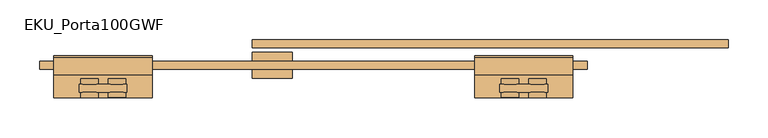
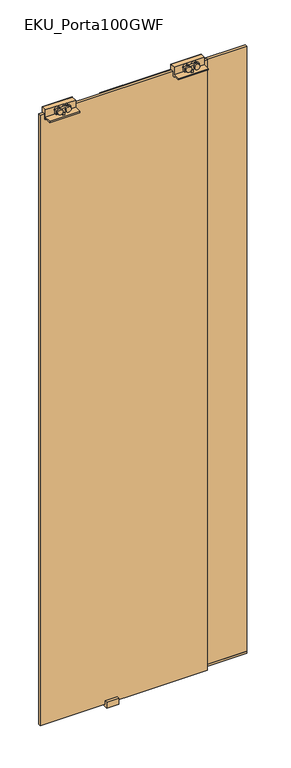
"""IFC4 building model written with IfcOpenShell, lengths in millimetres: door geometry, EKU_Porta100GWF."""

import ifcopenshell
import ifcopenshell.guid

model = None  # the IFC model being written
_history = None  # IfcOwnerHistory: only IFC2X3 demands one
_inside = {}  # id of a spatial element -> (the spatial element, [elements in it])
_under = {}  # id of a project, library or spatial element -> (it, [spatial elements below it])
_declared = {}  # id of a project -> (the project, [libraries it declares])
_typed = {}  # id of a type object -> (the type object, [elements of that type])
_made_of = {}  # id of a material, layer set ... -> (it, [elements and type objects made of it])


def new_model(schema):
    """Start an empty IFC model of exactly this schema.

    Asked for "IFC4X3", IfcOpenShell would pick the latest addendum, in which some entities
    have other attributes; the version numbers below select the first issue.
    IFC2X3 requires an IfcOwnerHistory on every rooted entity: one is made here for all.
    """
    global model, _history
    if schema == "IFC4X3":
        model = ifcopenshell.file(schema_version=(4, 3, 0, 0))
    else:
        model = ifcopenshell.file(schema=schema)
    _inside.clear()
    _under.clear()
    _declared.clear()
    _typed.clear()
    _made_of.clear()
    _history = None
    if model.schema == "IFC2X3":
        org = make("IfcOrganization", Name="unknown")
        user = make(
            "IfcPersonAndOrganization",
            ThePerson=make("IfcPerson", FamilyName="unknown"),
            TheOrganization=org,
        )
        app = make(
            "IfcApplication",
            ApplicationDeveloper=org,
            Version="unknown",
            ApplicationFullName="unknown",
            ApplicationIdentifier="unknown",
        )
        _history = make(
            "IfcOwnerHistory",
            OwningUser=user,
            OwningApplication=app,
            ChangeAction="ADDED",
            CreationDate=0,
        )
    return model


def make(cls, **values):
    """One entity of the class cls with the attributes given. An attribute that is None is left unset."""
    return model.create_entity(
        cls, **{name: value for name, value in values.items() if value is not None}
    )


def rooted(cls, **values):
    """An entity with a GlobalId (a new one), such as an element, a storey or a relation."""
    return make(cls, GlobalId=ifcopenshell.guid.new(), OwnerHistory=_history, **values)


def si_unit(unit_type, name, prefix=None):
    """IfcSIUnit, for example si_unit("LENGTHUNIT", "METRE", prefix="MILLI")."""
    return make("IfcSIUnit", UnitType=unit_type, Prefix=prefix, Name=name)


def assignment(units):
    """IfcUnitAssignment: the units of a project."""
    return None if units is None else make("IfcUnitAssignment", Units=units)


def point(xyz):
    """IfcCartesianPoint."""
    return None if xyz is None else make("IfcCartesianPoint", Coordinates=xyz)


def direction(xyz):
    """IfcDirection."""
    return None if xyz is None else make("IfcDirection", DirectionRatios=xyz)


def frame(location, z_axis=None, x_axis=None):
    """IfcAxis2Placement3D, a coordinate frame: its origin and axes. An axis left out is left unset."""
    return make(
        "IfcAxis2Placement3D",
        Location=point(location),
        Axis=direction(z_axis),
        RefDirection=direction(x_axis),
    )


def frame_2d(location, x_axis=None):
    """IfcAxis2Placement2D, a coordinate frame in the plane: its origin and x axis."""
    return make(
        "IfcAxis2Placement2D", Location=point(location), RefDirection=direction(x_axis)
    )


def origin():
    """The frame at (0, 0, 0) with its axes left unset."""
    return frame((0.0, 0.0, 0.0))


def place(relative_to, where):
    """IfcLocalPlacement: puts the frame where relative to a parent placement (None: the world)."""
    return make(
        "IfcLocalPlacement", PlacementRelTo=relative_to, RelativePlacement=where
    )


def context(
    kind, dimensions, precision=None, world=None, true_north=None, identifier=None
):
    """IfcGeometricRepresentationContext, for example the 3D "Model" context."""
    return make(
        "IfcGeometricRepresentationContext",
        ContextIdentifier=identifier,
        ContextType=kind,
        CoordinateSpaceDimension=dimensions,
        Precision=precision,
        WorldCoordinateSystem=world,
        TrueNorth=true_north,
    )


def project(units=None, contexts=None):
    """IfcProject with its units and contexts."""
    return rooted(
        "IfcProject",
        Name="project",
        RepresentationContexts=contexts,
        UnitsInContext=assignment(units),
    )


def spatial(cls, under=None, at=None, **own):
    """A site, building, storey or space (cls), placed at a placement, below another one or the project."""
    s = rooted(cls, ObjectPlacement=at, **own)
    if under is not None:
        _under.setdefault(under.id(), (under, []))[1].append(s)
    return s


def polyline(points):
    """IfcPolyline through the points."""
    return make("IfcPolyline", Points=[point(p) for p in points])


def circle_curve(where, radius):
    """IfcCircle in the frame where."""
    return make("IfcCircle", Position=where, Radius=radius)


def trimmed(basis, trim1, trim2, sense, master):
    """IfcTrimmedCurve: the piece of a basis curve between two trims."""
    return make(
        "IfcTrimmedCurve",
        BasisCurve=basis,
        Trim1=trim1,
        Trim2=trim2,
        SenseAgreement=sense,
        MasterRepresentation=master,
    )


def segment(curve, same_sense, transition):
    """IfcCompositeCurveSegment."""
    return make(
        "IfcCompositeCurveSegment",
        Transition=transition,
        SameSense=same_sense,
        ParentCurve=curve,
    )


def composite_curve(segments, self_intersect=None):
    """IfcCompositeCurve: segments joined end to end."""
    return make("IfcCompositeCurve", Segments=segments, SelfIntersect=self_intersect)


def outline(outer, holes=None, kind="AREA"):
    """IfcArbitraryClosedProfileDef: a profile drawn as a closed curve; with holes, ...WithVoids."""
    if holes is None:
        return make("IfcArbitraryClosedProfileDef", ProfileType=kind, OuterCurve=outer)
    return make(
        "IfcArbitraryProfileDefWithVoids",
        ProfileType=kind,
        OuterCurve=outer,
        InnerCurves=holes,
    )


def extrude(swept, where, along, depth):
    """IfcExtrudedAreaSolid: the profile swept, set in the frame where, extruded along a direction by depth."""
    return make(
        "IfcExtrudedAreaSolid",
        SweptArea=swept,
        Position=where,
        ExtrudedDirection=direction(along),
        Depth=depth,
    )


def shape(context_of_items, identifier, shape_type, items):
    """IfcShapeRepresentation: the items that make up one representation, for example the "Body"."""
    return make(
        "IfcShapeRepresentation",
        ContextOfItems=context_of_items,
        RepresentationIdentifier=identifier,
        RepresentationType=shape_type,
        Items=items,
    )


def source(mapping_origin, context_of_items, identifier, shape_type, items):
    """IfcRepresentationMap: a shape defined once, which mapped items show again and again."""
    return make(
        "IfcRepresentationMap",
        MappingOrigin=mapping_origin,
        MappedRepresentation=shape(context_of_items, identifier, shape_type, items),
    )


def transform(
    local_origin,
    x_axis=None,
    y_axis=None,
    z_axis=None,
    scale=None,
    scale2=None,
    scale3=None,
    uniform=True,
):
    """IfcCartesianTransformationOperator3D, or its non-uniform kind. x_axis, y_axis, z_axis: its Axis1, 2, 3."""
    if uniform:
        return make(
            "IfcCartesianTransformationOperator3D",
            Axis1=direction(x_axis),
            Axis2=direction(y_axis),
            LocalOrigin=point(local_origin),
            Scale=scale,
            Axis3=direction(z_axis),
        )
    return make(
        "IfcCartesianTransformationOperator3DnonUniform",
        Axis1=direction(x_axis),
        Axis2=direction(y_axis),
        LocalOrigin=point(local_origin),
        Scale=scale,
        Axis3=direction(z_axis),
        Scale2=scale2,
        Scale3=scale3,
    )


def mapped(mapping_source, mapping_target):
    """IfcMappedItem: shows the shape of a source again, moved by a transform."""
    return make(
        "IfcMappedItem", MappingSource=mapping_source, MappingTarget=mapping_target
    )


def made_of(thing, what):
    """Note that an element or type object is made of a material, layer set ...; save() writes the relation."""
    if what is not None:
        _made_of.setdefault(what.id(), (what, []))[1].append(thing)
    return thing


def element(
    cls,
    number,
    at=None,
    inside=None,
    cuts=None,
    type_object=None,
    material=None,
    context=None,
    identifier="Body",
    shape_type=None,
    held_by="IfcProductDefinitionShape",
    body=None,
    shapes=None,
    **own,
):
    """One element of the class cls, such as IfcWall. Its Tag is "e" and its number.

    at: its placement. inside: the storey or other place that contains it. cuts: it is an
    opening in that element (IfcRelVoidsElement). A single representation is given by context,
    identifier, shape_type and body (its items); several are given by shapes. held_by: the class
    of the entity that holds the representations. save() writes the other relations.
    """
    e = rooted(cls, Tag="e%d" % number, ObjectPlacement=at, **own)
    if body is not None:
        shapes = [shape(context, identifier, shape_type, body)]
    if shapes is not None:
        e.Representation = make(held_by, Representations=shapes)
    if inside is not None:
        _inside.setdefault(inside.id(), (inside, []))[1].append(e)
    if cuts is not None:
        rooted(
            "IfcRelVoidsElement", RelatingBuildingElement=cuts, RelatedOpeningElement=e
        )
    if type_object is not None:
        _typed.setdefault(type_object.id(), (type_object, []))[1].append(e)
    return made_of(e, material)


def aggregate(whole, parts):
    """IfcRelAggregates: a whole, such as a stair, and the parts it consists of."""
    return rooted("IfcRelAggregates", RelatingObject=whole, RelatedObjects=parts)


def save(model, path):
    """Write the relations noted so far, then the file.

    IfcRelAggregates (storeys below a building ...), IfcRelContainedInSpatialStructure (elements
    in a storey), IfcRelDefinesByType, IfcRelAssociatesMaterial and IfcRelDeclares: one each for
    every whole, place, type object, material and project.
    """
    for whole, parts in _under.values():
        aggregate(whole, parts)
    for where, things in _inside.values():
        rooted(
            "IfcRelContainedInSpatialStructure",
            RelatedElements=things,
            RelatingStructure=where,
        )
    for kind, things in _typed.values():
        rooted("IfcRelDefinesByType", RelatedObjects=things, RelatingType=kind)
    for what, things in _made_of.values():
        rooted("IfcRelAssociatesMaterial", RelatedObjects=things, RelatingMaterial=what)
    for by, libraries in _declared.values():
        rooted("IfcRelDeclares", RelatingContext=by, RelatedDefinitions=libraries)
    model.write(path)


def eku_porta100gwf_f6c7950f(model_context):
    return source(origin(), model_context, "Body", "SweptSolid", [
        extrude(outline(composite_curve([segment(trimmed(circle_curve(frame_2d((2683.9921875, -1182.4598407)), 11.0), [point((2683.9921875, -1171.4598407))], [point((2683.9921875, -1193.4598407))], False, "CARTESIAN"), True, "CONTINUOUS"), segment(trimmed(circle_curve(frame_2d((2683.9921875, -1182.4598407)), 11.0), [point((2683.9921875, -1193.4598407))], [point((2683.9921875, -1171.4598407))], False, "CARTESIAN"), True, "CONTINUOUS")], self_intersect=False)), frame((0.0, -47.8664, 0.0), z_axis=(0.0, 1.0, 0.0), x_axis=(0.0, 0.0, 1.0)), (0.0, 0.0, 1.0), 6.5829776),
        extrude(outline(composite_curve([segment(trimmed(circle_curve(frame_2d((2683.9993602, -1148.0848407)), 11.0), [point((2683.9993602, -1137.0848407))], [point((2683.9993602, -1159.0848407))], False, "CARTESIAN"), True, "CONTINUOUS"), segment(trimmed(circle_curve(frame_2d((2683.9993602, -1148.0848407)), 11.0), [point((2683.9993602, -1159.0848407))], [point((2683.9993602, -1137.0848407))], False, "CARTESIAN"), True, "CONTINUOUS")], self_intersect=False)), frame((0.0, -31.1869495, 0.0), z_axis=(0.0, 1.0, 0.0), x_axis=(0.0, 0.0, 1.0)), (0.0, 0.0, 1.0), 7.0269907),
        extrude(outline(composite_curve([segment(trimmed(circle_curve(frame_2d((2683.9921875, -1148.0848407)), 11.0), [point((2683.9921875, -1137.0848407))], [point((2683.9921875, -1159.0848407))], False, "CARTESIAN"), True, "CONTINUOUS"), segment(trimmed(circle_curve(frame_2d((2683.9921875, -1148.0848407)), 11.0), [point((2683.9921875, -1159.0848407))], [point((2683.9921875, -1137.0848407))], False, "CARTESIAN"), True, "CONTINUOUS")], self_intersect=False)), frame((0.0, -48.25, 0.0), z_axis=(0.0, 1.0, 0.0), x_axis=(0.0, 0.0, 1.0)), (0.0, 0.0, 1.0), 6.9665776),
        extrude(outline(polyline([(-1169.3035599, -31.1869495), (-1161.3035599, -31.1869495), (-1161.3035599, -41.2834224), (-1169.3035599, -41.2834224), (-1169.3035599, -31.1869495)])), frame((0.0, 0.0, 2661.0), z_axis=(0.0, 0.0, 1.0), x_axis=(1.0, 0.0, 0.0)), (0.0, 0.0, 1.0), 11.9515484),
        extrude(outline(polyline([(-1195.3035599, -41.2834224), (-1195.3035599, -31.1869495), (-1135.3035599, -31.1869495), (-1135.3035599, -41.2834224), (-1195.3035599, -41.2834224)])), frame((0.0, 0.0, 2672.9515484), z_axis=(0.0, 0.0, 1.0), x_axis=(1.0, 0.0, 0.0)), (0.0, 0.0, 1.0), 18.2705237),
        extrude(outline(composite_curve([segment(trimmed(circle_curve(frame_2d((2683.9921875, -1182.4598407)), 11.0), [point((2683.9921875, -1171.4598407))], [point((2683.9921875, -1193.4598407))], False, "CARTESIAN"), True, "CONTINUOUS"), segment(trimmed(circle_curve(frame_2d((2683.9921875, -1182.4598407)), 11.0), [point((2683.9921875, -1193.4598407))], [point((2683.9921875, -1171.4598407))], False, "CARTESIAN"), True, "CONTINUOUS")], self_intersect=False)), frame((0.0, -31.1869495, 0.0), z_axis=(0.0, 1.0, 0.0), x_axis=(0.0, 0.0, 1.0)), (0.0, 0.0, 1.0), 7.0269907),
        extrude(outline(composite_curve([segment(trimmed(circle_curve(frame_2d((2683.9921875, -1148.0848407)), 11.0), [point((2683.9921875, -1137.0848407))], [point((2683.9921875, -1159.0848407))], False, "CARTESIAN"), True, "CONTINUOUS"), segment(trimmed(circle_curve(frame_2d((2683.9921875, -1148.0848407)), 11.0), [point((2683.9921875, -1159.0848407))], [point((2683.9921875, -1137.0848407))], False, "CARTESIAN"), True, "CONTINUOUS")], self_intersect=False)), frame((0.0, -48.25, 0.0), z_axis=(0.0, 1.0, 0.0), x_axis=(0.0, 0.0, 1.0)), (0.0, 0.0, 1.0), 6.9665776),
        extrude(outline(polyline([(-19.25, 2692.0), (2.442747, 2692.0), (4.75, 2692.0), (4.75, 2678.0), (4.75, 2650.0), (-2.25, 2650.0), (-2.25, 2672.0), (-12.25, 2672.0), (-12.25, 2650.0), (-19.25, 2650.0), (-19.25, 2655.0), (-48.25, 2655.0), (-48.25, 2661.0), (-19.25, 2661.0), (-19.25, 2692.0)])), frame((-1227.3035599, 0.0, 0.0), z_axis=(1.0, 0.0, 0.0), x_axis=(0.0, 1.0, 0.0)), (0.0, 0.0, 1.0), 124.0),
        extrude(outline(composite_curve([segment(trimmed(circle_curve(frame_2d((2683.9921875, -1678.1472792)), 11.0), [point((2683.9921875, -1689.1472792))], [point((2683.9921875, -1667.1472792))], False, "CARTESIAN"), True, "CONTINUOUS"), segment(trimmed(circle_curve(frame_2d((2683.9921875, -1678.1472792)), 11.0), [point((2683.9921875, -1667.1472792))], [point((2683.9921875, -1689.1472792))], False, "CARTESIAN"), True, "CONTINUOUS")], self_intersect=False)), frame((0.0, -47.8664, 0.0), z_axis=(0.0, 1.0, 0.0), x_axis=(0.0, 0.0, 1.0)), (0.0, 0.0, 1.0), 6.5829776),
        extrude(outline(composite_curve([segment(trimmed(circle_curve(frame_2d((2683.9993602, -1712.5222792)), 11.0), [point((2683.9993602, -1723.5222792))], [point((2683.9993602, -1701.5222792))], False, "CARTESIAN"), True, "CONTINUOUS"), segment(trimmed(circle_curve(frame_2d((2683.9993602, -1712.5222792)), 11.0), [point((2683.9993602, -1701.5222792))], [point((2683.9993602, -1723.5222792))], False, "CARTESIAN"), True, "CONTINUOUS")], self_intersect=False)), frame((0.0, -31.1869495, 0.0), z_axis=(0.0, 1.0, 0.0), x_axis=(0.0, 0.0, 1.0)), (0.0, 0.0, 1.0), 7.0269907),
        extrude(outline(composite_curve([segment(trimmed(circle_curve(frame_2d((2683.9921875, -1712.5222792)), 11.0), [point((2683.9921875, -1723.5222792))], [point((2683.9921875, -1701.5222792))], False, "CARTESIAN"), True, "CONTINUOUS"), segment(trimmed(circle_curve(frame_2d((2683.9921875, -1712.5222792)), 11.0), [point((2683.9921875, -1701.5222792))], [point((2683.9921875, -1723.5222792))], False, "CARTESIAN"), True, "CONTINUOUS")], self_intersect=False)), frame((0.0, -48.25, 0.0), z_axis=(0.0, 1.0, 0.0), x_axis=(0.0, 0.0, 1.0)), (0.0, 0.0, 1.0), 6.9665776),
        extrude(outline(polyline([(-1691.3035599, -31.1869495), (-1691.3035599, -41.2834224), (-1699.3035599, -41.2834224), (-1699.3035599, -31.1869495), (-1691.3035599, -31.1869495)])), frame((0.0, 0.0, 2661.0), z_axis=(0.0, 0.0, 1.0), x_axis=(1.0, 0.0, 0.0)), (0.0, 0.0, 1.0), 11.9515484),
        extrude(outline(polyline([(-1665.3035599, -41.2834224), (-1725.3035599, -41.2834224), (-1725.3035599, -31.1869495), (-1665.3035599, -31.1869495), (-1665.3035599, -41.2834224)])), frame((0.0, 0.0, 2672.9515484), z_axis=(0.0, 0.0, 1.0), x_axis=(1.0, 0.0, 0.0)), (0.0, 0.0, 1.0), 18.2705237),
        extrude(outline(composite_curve([segment(trimmed(circle_curve(frame_2d((2683.9921875, -1678.1472792)), 11.0), [point((2683.9921875, -1689.1472792))], [point((2683.9921875, -1667.1472792))], False, "CARTESIAN"), True, "CONTINUOUS"), segment(trimmed(circle_curve(frame_2d((2683.9921875, -1678.1472792)), 11.0), [point((2683.9921875, -1667.1472792))], [point((2683.9921875, -1689.1472792))], False, "CARTESIAN"), True, "CONTINUOUS")], self_intersect=False)), frame((0.0, -31.1869495, 0.0), z_axis=(0.0, 1.0, 0.0), x_axis=(0.0, 0.0, 1.0)), (0.0, 0.0, 1.0), 7.0269907),
        extrude(outline(composite_curve([segment(trimmed(circle_curve(frame_2d((2683.9921875, -1712.5222792)), 11.0), [point((2683.9921875, -1723.5222792))], [point((2683.9921875, -1701.5222792))], False, "CARTESIAN"), True, "CONTINUOUS"), segment(trimmed(circle_curve(frame_2d((2683.9921875, -1712.5222792)), 11.0), [point((2683.9921875, -1701.5222792))], [point((2683.9921875, -1723.5222792))], False, "CARTESIAN"), True, "CONTINUOUS")], self_intersect=False)), frame((0.0, -48.25, 0.0), z_axis=(0.0, 1.0, 0.0), x_axis=(0.0, 0.0, 1.0)), (0.0, 0.0, 1.0), 6.9665776),
        extrude(outline(polyline([(-19.25, 2692.0), (2.442747, 2692.0), (4.75, 2692.0), (4.75, 2678.0), (4.75, 2650.0), (-2.25, 2650.0), (-2.25, 2672.0), (-12.25, 2672.0), (-12.25, 2650.0), (-19.25, 2650.0), (-19.25, 2655.0), (-48.25, 2655.0), (-48.25, 2661.0), (-19.25, 2661.0), (-19.25, 2692.0)])), frame((-1757.3035599, 0.0, 0.0), z_axis=(1.0, 0.0, 0.0), x_axis=(0.0, 1.0, 0.0)), (0.0, 0.0, 1.0), 124.0),
        extrude(outline(polyline([(-907.5, 24.84375), (-907.5, 14.84375), (-1507.5, 14.84375), (-1507.5, 24.84375), (-907.5, 24.84375)])), frame((0.0, 0.0, 15.0), z_axis=(0.0, 0.0, 1.0), x_axis=(1.0, 0.0, 0.0)), (0.0, 0.0, 1.0), 2637.0),
        extrude(outline(polyline([(-1775.3035599, -12.25), (-1775.3035599, -2.25), (-1085.3035599, -2.25), (-1085.3035599, -12.25), (-1775.3035599, -12.25)])), frame((0.0, 0.0, 10.0), z_axis=(0.0, 0.0, 1.0), x_axis=(1.0, 0.0, 0.0)), (0.0, 0.0, 1.0), 2662.0),
        extrude(outline(polyline([(9.25, 26.0), (9.25, 0.0), (-23.3162943, 0.0), (-23.3162943, 26.0), (-12.25, 26.0), (-12.25, 10.0), (-2.25, 10.0), (-2.25, 26.0), (9.25, 26.0)])), frame((-1507.5, 0.0, 0.0), z_axis=(1.0, 0.0, 0.0), x_axis=(0.0, 1.0, 0.0)), (0.0, 0.0, 1.0), 50.4100933),
        extrude(outline(polyline([(-907.5, 24.84375), (-907.5, 14.84375), (-1507.5, 14.84375), (-1507.5, 24.84375), (-907.5, 24.84375)])), frame((0.0, 0.0, 5.0), z_axis=(0.0, 0.0, 1.0), x_axis=(1.0, 0.0, 0.0)), (0.0, 0.0, 1.0), 10.0),
    ])


if __name__ == "__main__":
    model = new_model("IFC4")
    model_context = context("Model", 3, world=origin())
    ifc_project = project(units=[si_unit("LENGTHUNIT", "METRE", prefix="MILLI")], contexts=[model_context])
    site = spatial("IfcSite", under=ifc_project)
    building = spatial("IfcBuilding", under=site)
    placement = place(None, origin())
    eku_porta100gwf_shape = eku_porta100gwf_f6c7950f(model_context)
    element("IfcDoor", 1, ObjectType="EKU_Porta100GWF", at=placement, inside=building, context=model_context, shape_type="MappedRepresentation", body=[
        mapped(eku_porta100gwf_shape, transform((0.0, 0.0, 0.0), x_axis=(1.0, 0.0, 0.0), y_axis=(0.0, 1.0, 0.0), z_axis=(0.0, 0.0, 1.0))),
    ])
    save(model, "model.ifc")
